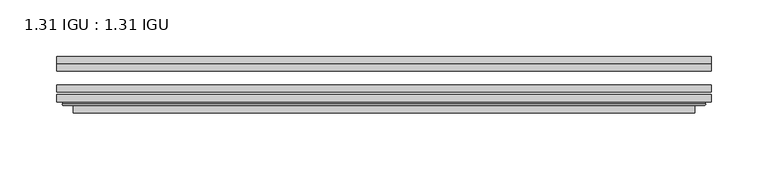
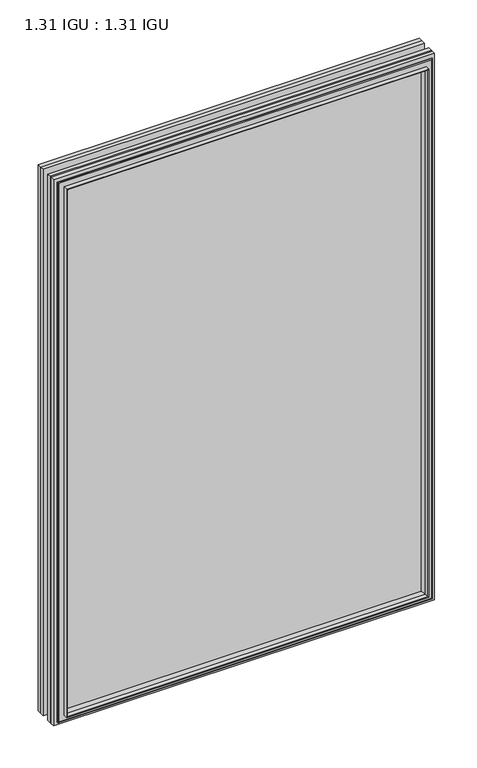
"""IFC4 building model written with IfcOpenShell, lengths in millimetres: plate geometry, 1.31 IGU : 1.31 IGU."""

from ifc_helpers import new_model, si_unit, frame, origin, place, context, project, spatial, polyline, ellipse_curve, outline, extrude, faceted_brep, source, transform, mapped, element, save
from ifc_brep_helpers import plane_surface, cylinder_surface, advanced_brep


def plate_1_31_igu_1_31_igu_9e1ac03c(model_context):
    return source(origin(), model_context, "Body", "SolidModel", [
        extrude(outline(polyline([(287.351675, -66.4725937), (287.351675, -72.8225938), (-287.3375, -72.8225938), (-287.3375, -66.4725937), (287.351675, -66.4725937)])), frame((0.0, 0.0, -14.2875), z_axis=(0.0, 0.0, 1.0), x_axis=(1.0, 0.0, 0.0)), (0.0, 0.0, 1.0), 869.9537979),
        extrude(outline(polyline([(-287.3375, -81.4585938), (-287.3375, -75.1080887), (287.351675, -75.1080887), (287.351675, -81.4585938), (-287.3375, -81.4585938)])), frame((0.0, 0.0, -14.2875), z_axis=(0.0, 0.0, 1.0), x_axis=(1.0, 0.0, 0.0)), (0.0, 0.0, 1.0), 869.9537979),
        extrude(outline(polyline([(287.351675, -48.1337937), (287.351675, -54.4837938), (-287.3375, -54.4837938), (-287.3375, -48.1337937), (287.351675, -48.1337937)])), frame((0.0, 0.0, -14.2875), z_axis=(0.0, 0.0, 1.0), x_axis=(1.0, 0.0, 0.0)), (0.0, 0.0, 1.0), 869.9537979),
        faceted_brep([(-273.0446902, -41.7837938, 841.3696902), (-272.1522559, -48.1337937, 840.4772559), (-272.1522559, -48.1337937, 0.8977441), (-273.0446902, -41.7837938, 0.0053098), (-287.3502, -48.1337937, 855.6752), (-287.3502, -41.7837938, 855.6752), (-287.3502, -41.7837938, -14.3002), (-287.3502, -48.1337937, -14.3002), (272.1522559, -48.1337937, 0.8977441), (273.0446902, -41.7837938, 0.0053098), (287.3502, -41.7837938, -14.3002), (287.3502, -48.1337937, -14.3002), (272.1522559, -48.1337937, 840.4772559), (273.0446902, -41.7837938, 841.3696902), (287.3502, -41.7837938, 855.6752), (287.3502, -48.1337937, 855.6752)], [[[0, 1, 2, 3]], [[4, 5, 6, 7]], [[3, 2, 8, 9]], [[7, 6, 10, 11]], [[9, 8, 12, 13]], [[11, 10, 14, 15]], [[7, 11, 15, 4], [1, 12, 8, 2]], [[13, 12, 1, 0]], [[5, 14, 10, 6], [3, 9, 13, 0]], [[15, 14, 5, 4]]]),
        advanced_brep(
        [(-281.4486349, -84.6335938, 849.7736349), (-282.4504244, -83.4482604, 850.7754244), (-282.4504244, -83.4482604, -9.4004244), (-281.4486349, -84.6335938, -8.3986349), (-273.0445784, -91.0948368, 841.3695784), (-273.0445784, -84.6335938, 841.3695784), (-273.0445784, -84.6335938, 0.0054216), (-273.0445784, -91.0948368, 0.0054216), (-272.0539217, -90.6958619, 840.3789217), (-272.0539217, -90.6958619, 0.9960783), (-271.0218939, -85.2986307, 839.3468939), (-271.0218939, -85.2986307, 2.0281061), (-266.0870621, -81.4585938, 834.4120621), (-266.0870621, -81.4585938, 6.9629379), (-280.096219, -81.4585938, 848.421219), (-280.096219, -81.4585938, -7.046219), (282.4504244, -83.4482604, -9.4004244), (281.4486349, -84.6335938, -8.3986349), (273.0445784, -84.6335938, 0.0054216), (273.0445784, -91.0948368, 0.0054216), (272.0539217, -90.6958619, 0.9960783), (271.0218939, -85.2986307, 2.0281061), (266.0870621, -81.4585938, 6.9629379), (280.096219, -81.4585938, -7.046219), (282.4504244, -83.4482604, 850.7754244), (281.4486349, -84.6335938, 849.7736349), (273.0445784, -84.6335938, 841.3695784), (273.0445784, -91.0948368, 841.3695784), (272.0539217, -90.6958619, 840.3789217), (271.0218939, -85.2986307, 839.3468939), (266.0870621, -81.4585938, 834.4120621), (280.096219, -81.4585938, 848.421219)],
        [
            (0, 1, ellipse_curve(frame((-281.4486349, -83.6175938, 849.7736349), z_axis=(-0.7071067811865475, 0.0, -0.7071067811865475), x_axis=(-0.7071067811865474, 0.0, 0.7071067811865476)), 1.436841, 1.016)),
            (1, 2),
            (2, 3, ellipse_curve(frame((-281.4486349, -83.6175938, -8.3986349), z_axis=(-0.7071067811865475, 0.0, 0.7071067811865475), x_axis=(0.7071067811865474, 0.0, 0.7071067811865476)), 1.436841, 1.016)),
            (3, 0),
            (4, 5),
            (5, 6),
            (6, 7),
            (7, 4),
            (8, 4, ellipse_curve(frame((-272.6776219, -90.5766015, 841.0026219), z_axis=(-0.7071067811865475, 0.0, -0.7071067811865475), x_axis=(-0.7071067811865474, 0.0, 0.7071067811865476)), 0.8980256, 0.635)),
            (7, 9, ellipse_curve(frame((-272.6776219, -90.5766015, 0.3723781), z_axis=(-0.7071067811865475, 0.0, 0.7071067811865475), x_axis=(0.7071067811865474, 0.0, 0.7071067811865476)), 0.8980256, 0.635)),
            (9, 8),
            (10, 8),
            (9, 11),
            (11, 10),
            (12, 10),
            (11, 13),
            (13, 12),
            (1, 14, ellipse_curve(frame((-280.096219, -83.8461938, 848.421219), z_axis=(-0.7071067811865475, 0.0, -0.7071067811865475), x_axis=(-0.7071067811865474, 0.0, 0.7071067811865476)), 3.3765763, 2.3876)),
            (14, 15),
            (15, 2, ellipse_curve(frame((-280.096219, -83.8461938, -7.046219), z_axis=(-0.7071067811865475, 0.0, 0.7071067811865475), x_axis=(0.7071067811865474, 0.0, 0.7071067811865476)), 3.3765763, 2.3876)),
            (2, 16),
            (16, 17, ellipse_curve(frame((281.4486349, -83.6175938, -8.3986349), z_axis=(-0.7071067811865475, 0.0, -0.7071067811865475), x_axis=(-0.7071067811865476, 0.0, 0.7071067811865474)), 1.436841, 1.016)),
            (17, 3),
            (6, 18),
            (18, 19),
            (19, 7),
            (19, 20, ellipse_curve(frame((272.6776219, -90.5766015, 0.3723781), z_axis=(-0.7071067811865475, 0.0, -0.7071067811865475), x_axis=(-0.7071067811865476, 0.0, 0.7071067811865474)), 0.8980256, 0.635)),
            (20, 9),
            (20, 21),
            (21, 11),
            (21, 22),
            (22, 13),
            (15, 23),
            (23, 16, ellipse_curve(frame((280.096219, -83.8461938, -7.046219), z_axis=(-0.7071067811865475, 0.0, -0.7071067811865475), x_axis=(-0.7071067811865476, 0.0, 0.7071067811865474)), 3.3765763, 2.3876)),
            (16, 24),
            (24, 25, ellipse_curve(frame((281.4486349, -83.6175938, 849.7736349), z_axis=(0.7071067811865475, 0.0, -0.7071067811865475), x_axis=(-0.7071067811865474, 0.0, -0.7071067811865476)), 1.436841, 1.016)),
            (25, 17),
            (18, 26),
            (26, 27),
            (27, 19),
            (27, 28, ellipse_curve(frame((272.6776219, -90.5766015, 841.0026219), z_axis=(0.7071067811865475, 0.0, -0.7071067811865475), x_axis=(-0.7071067811865474, 0.0, -0.7071067811865476)), 0.8980256, 0.635)),
            (28, 20),
            (28, 29),
            (29, 21),
            (29, 30),
            (30, 22),
            (23, 31),
            (31, 24, ellipse_curve(frame((280.096219, -83.8461938, 848.421219), z_axis=(0.7071067811865475, 0.0, -0.7071067811865475), x_axis=(-0.7071067811865474, 0.0, -0.7071067811865476)), 3.3765763, 2.3876)),
            (24, 1),
            (0, 25),
            (5, 26),
            (4, 27),
            (8, 28),
            (10, 29),
            (12, 30),
            (14, 31),
        ],
        [
            cylinder_surface(frame((-281.4486349, -83.6175938, 873.125), z_axis=(0.0, 0.0, 1.0), x_axis=(-1.0, 0.0, 0.0)), 1.016),
            plane_surface(frame((-273.0445784, -84.6335938, 841.3695784), z_axis=(-1.0, 0.0, 0.0), x_axis=(0.0, 0.0, -1.0))),
            cylinder_surface(frame((-272.6776219, -90.5766015, 873.125), z_axis=(0.0, 0.0, 1.0), x_axis=(-1.0, 0.0, 0.0)), 0.635),
            plane_surface(frame((-272.0539217, -90.6958619, 840.3789217), z_axis=(0.9822050625507717, -0.1878116479338675, 0.0), x_axis=(0.0, 0.0, -1.0))),
            plane_surface(frame((-271.0218939, -85.2986307, 839.3468939), z_axis=(0.6141233906514726, -0.7892100234124875, 0.0), x_axis=(0.0, 0.0, -1.0))),
            cylinder_surface(frame((-280.096219, -83.8461938, 873.125), z_axis=(0.0, 0.0, 1.0), x_axis=(-1.0, 0.0, 0.0)), 2.3876),
            cylinder_surface(frame((-304.8, -83.6175938, -8.3986349), z_axis=(-1.0, 0.0, 0.0), x_axis=(0.0, 0.0, -1.0)), 1.016),
            plane_surface(frame((-273.0445784, -84.6335938, 0.0054216), z_axis=(0.0, 0.0, -1.0), x_axis=(1.0, 0.0, 0.0))),
            cylinder_surface(frame((-304.8, -90.5766015, 0.3723781), z_axis=(-1.0, 0.0, 0.0), x_axis=(0.0, 0.0, -1.0)), 0.635),
            plane_surface(frame((-272.0539217, -90.6958619, 0.9960783), z_axis=(0.0, -0.18781164793386435, 0.9822050625507722), x_axis=(1.0, 0.0, 0.0))),
            plane_surface(frame((-271.0218939, -85.2986307, 2.0281061), z_axis=(0.0, -0.7892100234124855, 0.6141233906514751), x_axis=(1.0, 0.0, 0.0))),
            cylinder_surface(frame((-304.8, -83.8461938, -7.046219), z_axis=(-1.0, 0.0, 0.0), x_axis=(0.0, 0.0, -1.0)), 2.3876),
            cylinder_surface(frame((281.4486349, -83.6175938, -31.75), z_axis=(0.0, 0.0, -1.0), x_axis=(1.0, 0.0, 0.0)), 1.016),
            plane_surface(frame((273.0445784, -84.6335938, 0.0054216), z_axis=(1.0, 0.0, 0.0), x_axis=(0.0, 0.0, 1.0))),
            cylinder_surface(frame((272.6776219, -90.5766015, -31.75), z_axis=(0.0, 0.0, -1.0), x_axis=(1.0, 0.0, 0.0)), 0.635),
            plane_surface(frame((272.0539217, -90.6958619, 0.9960783), z_axis=(-0.9822050625507728, -0.18781164793386118, 0.0), x_axis=(0.0, 0.0, 1.0))),
            plane_surface(frame((271.0218939, -85.2986307, 2.0281061), z_axis=(-0.6141233906514777, -0.7892100234124835, 0.0), x_axis=(0.0, 0.0, 1.0))),
            cylinder_surface(frame((280.096219, -83.8461938, -31.75), z_axis=(0.0, 0.0, -1.0), x_axis=(1.0, 0.0, 0.0)), 2.3876),
            cylinder_surface(frame((304.8, -83.6175938, 849.7736349), z_axis=(1.0, 0.0, 0.0), x_axis=(0.0, 0.0, 1.0)), 1.016),
            plane_surface(frame((281.4486349, -84.6335938, 849.7736349), z_axis=(0.0, -1.0, 0.0), x_axis=(-1.0, 0.0, 0.0))),
            plane_surface(frame((273.0445784, -84.6335938, 841.3695784), z_axis=(0.0, 0.0, 1.0), x_axis=(-1.0, 0.0, 0.0))),
            cylinder_surface(frame((304.8, -90.5766015, 841.0026219), z_axis=(1.0, 0.0, 0.0), x_axis=(0.0, 0.0, 1.0)), 0.635),
            plane_surface(frame((272.0539217, -90.6958619, 840.3789217), z_axis=(0.0, -0.18781164793386435, -0.9822050625507722), x_axis=(-1.0, 0.0, 0.0))),
            plane_surface(frame((271.0218939, -85.2986307, 839.3468939), z_axis=(0.0, -0.7892100234124855, -0.6141233906514751), x_axis=(-1.0, 0.0, 0.0))),
            plane_surface(frame((266.0870621, -81.4585938, 834.4120621), z_axis=(0.0, 1.0, 0.0), x_axis=(-1.0, 0.0, 0.0))),
            cylinder_surface(frame((304.8, -83.8461938, 848.421219), z_axis=(1.0, 0.0, 0.0), x_axis=(0.0, 0.0, 1.0)), 2.3876),
        ],
        [
            (0, [[1, 2, 3, 4]]),
            (1, [[5, 6, 7, 8]]),
            (2, [[9, -8, 10, 11]]),
            (3, [[12, -11, 13, 14]]),
            (4, [[15, -14, 16, 17]]),
            (5, [[18, 19, 20, -2]]),
            (6, [[-3, 21, 22, 23]]),
            (7, [[-7, 24, 25, 26]]),
            (8, [[-10, -26, 27, 28]]),
            (9, [[-13, -28, 29, 30]]),
            (10, [[-16, -30, 31, 32]]),
            (11, [[-20, 33, 34, -21]]),
            (12, [[-22, 35, 36, 37]]),
            (13, [[-25, 38, 39, 40]]),
            (14, [[-27, -40, 41, 42]]),
            (15, [[-29, -42, 43, 44]]),
            (16, [[-31, -44, 45, 46]]),
            (17, [[-34, 47, 48, -35]]),
            (18, [[-36, 49, -1, 50]]),
            (19, [[-23, -37, -50, -4], [51, -38, -24, -6]]),
            (20, [[-39, -51, -5, 52]]),
            (21, [[-41, -52, -9, 53]]),
            (22, [[-43, -53, -12, 54]]),
            (23, [[-45, -54, -15, 55]]),
            (24, [[56, -47, -33, -19], [-32, -46, -55, -17]]),
            (25, [[-48, -56, -18, -49]]),
        ],
    ),
    ])


if __name__ == "__main__":
    model = new_model("IFC4")
    model_context = context("Model", 3, world=origin())
    ifc_project = project(units=[si_unit("LENGTHUNIT", "METRE", prefix="MILLI")], contexts=[model_context])
    site = spatial("IfcSite", under=ifc_project)
    building = spatial("IfcBuilding", under=site)
    placement = place(None, origin())
    plate_1_31_igu_1_31_igu_shape = plate_1_31_igu_1_31_igu_9e1ac03c(model_context)
    element("IfcPlate", 1, ObjectType="1.31 IGU : 1.31 IGU", at=placement, inside=building, context=model_context, shape_type="MappedRepresentation", body=[
        mapped(plate_1_31_igu_1_31_igu_shape, transform((0.0, 0.0, 0.0), x_axis=(1.0, 0.0, 0.0), y_axis=(0.0, 1.0, 0.0), z_axis=(0.0, 0.0, 1.0))),
    ])
    save(model, "model.ifc")
